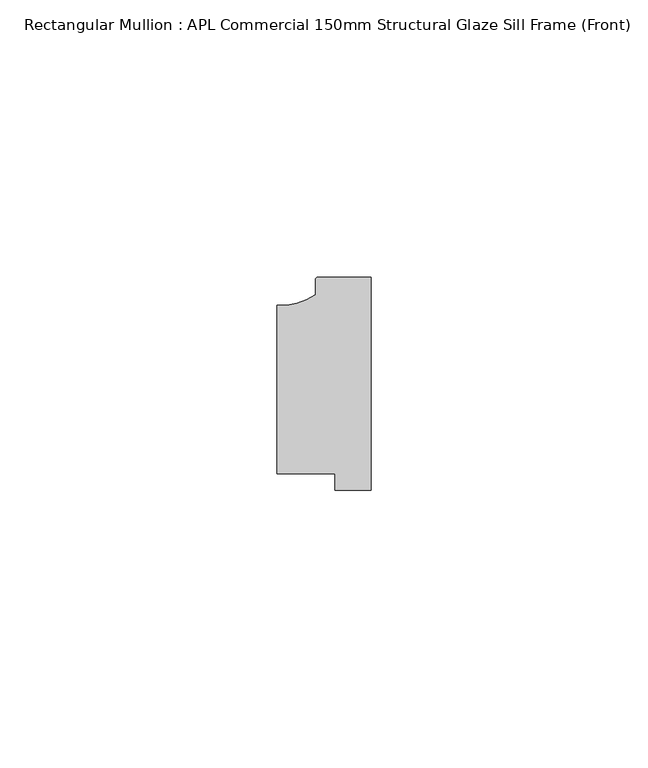
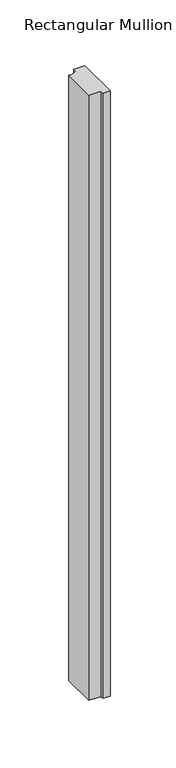
"""IFC4 building model written with IfcOpenShell, lengths in millimetres: member geometry, Rectangular Mullion : APL Commercial 150mm Structural Glaze Sill Frame (Front)."""

from ifc_helpers import new_model, si_unit, point, frame, frame_2d, origin, place, context, project, spatial, polyline, circle_curve, trimmed, segment, composite_curve, outline, extrude, source, transform, mapped, element, save


def rectangular_mullion_apl_commercial_150mm_structural_glaze_50503de5(model_context):
    return source(origin(), model_context, "Body", "SweptSolid", [
        extrude(outline(composite_curve([segment(trimmed(circle_curve(frame_2d((-16.1098048, 25.7977481)), 10.4563907), [point((-16.999942, 15.3793144))], [point((-10.0, 17.3120901))], True, "CARTESIAN"), True, "CONTINUOUS"), segment(polyline([(-10.0, 17.3120901), (-10.0, 19.9980675)]), True, "CONTINUOUS"), segment(trimmed(circle_curve(frame_2d((-9.5000029, 19.99978)), 0.5), [point((-10.0, 19.9980675))], [point((-9.5000029, 20.49978))], False, "CARTESIAN"), True, "CONTINUOUS"), segment(polyline([(-9.5000029, 20.49978), (0.0, 20.49978), (0.0, -18.0281616), (-6.5000029, -18.0281616), (-6.5000029, -15.0004332), (-16.999942, -15.0004332), (-16.999942, 15.3793144)]), True, "CONTINUOUS")], self_intersect=False)), frame((0.0, 0.0, -563.5136876), z_axis=(0.0, 0.0, 1.0), x_axis=(1.0, 0.0, 0.0)), (0.0, 0.0, 1.0), 563.5136876),
    ])


if __name__ == "__main__":
    model = new_model("IFC4")
    model_context = context("Model", 3, world=origin())
    ifc_project = project(units=[si_unit("LENGTHUNIT", "METRE", prefix="MILLI")], contexts=[model_context])
    site = spatial("IfcSite", under=ifc_project)
    building = spatial("IfcBuilding", under=site)
    placement = place(None, origin())
    rectangular_mullion_apl_commercial_150mm_structural_glaze_shape = rectangular_mullion_apl_commercial_150mm_structural_glaze_50503de5(model_context)
    element("IfcMember", 1, ObjectType="Rectangular Mullion : APL Commercial 150mm Structural Glaze Sill Frame (Front)", at=placement, inside=building, context=model_context, shape_type="MappedRepresentation", body=[
        mapped(rectangular_mullion_apl_commercial_150mm_structural_glaze_shape, transform((0.0, 0.0, 0.0), x_axis=(1.0, 0.0, 0.0), y_axis=(0.0, 1.0, 0.0), z_axis=(0.0, 0.0, 1.0))),
    ])
    save(model, "model.ifc")
